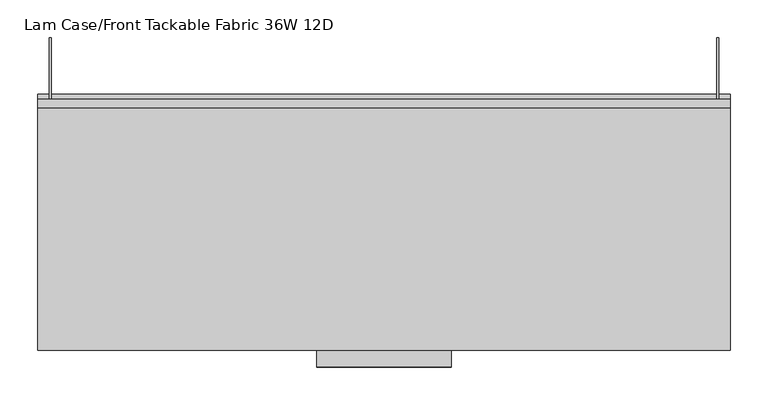
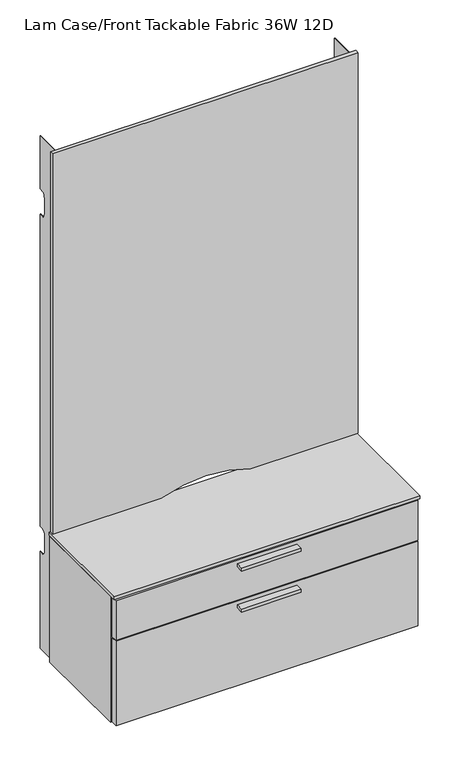
"""IFC4 building model written with IfcOpenShell, lengths in millimetres: furniture geometry, Lam Case/Front Tackable Fabric 36W 12D."""

from ifc_helpers import new_model, si_unit, point, frame, frame_2d, origin, place, context, project, spatial, polyline, circle_curve, trimmed, segment, composite_curve, outline, extrude, source, transform, mapped, element, save


def lam_case_front_tackable_fabric_36w_12d_4e759bc5(model_context):
    return source(origin(), model_context, "Body", "SweptSolid", [
        extrude(outline(polyline([(546.1, -435.6899879), (368.3, -435.6899879), (368.3, -413.4649879), (546.1, -413.4649879), (546.1, -435.6899879)])), frame((0.0, 0.0, 749.5158821), z_axis=(0.0, 0.0, 1.0), x_axis=(1.0, 0.0, 0.0)), (0.0, 0.0, 1.0), 9.525),
        extrude(outline(polyline([(546.1, -435.6899879), (368.3, -435.6899879), (368.3, -413.4649879), (546.1, -413.4649879), (546.1, -435.6899879)])), frame((0.0, 0.0, 879.1093489), z_axis=(0.0, 0.0, 1.0), x_axis=(1.0, 0.0, 0.0)), (0.0, 0.0, 1.0), 9.525),
        extrude(outline(polyline([(892.9300169, -95.5000029), (21.4600137, -95.5000029), (21.4600137, -82.0420035), (892.9300169, -82.0420035), (892.9300169, -95.5000029)])), frame((0.0, 0.0, 495.8619933), z_axis=(0.0, 0.0, 1.0), x_axis=(1.0, 0.0, 0.0)), (0.0, 0.0, 1.0), 384.0830604),
        extrude(outline(polyline([(892.9300169, -390.3500107), (892.9300169, -75.4399992), (912.2300016, -75.4399992), (912.2300016, -390.3500107), (892.9300169, -390.3500107)])), frame((0.0, 0.0, 501.1729337), z_axis=(0.0, 0.0, 1.0), x_axis=(1.0, 0.0, 0.0)), (0.0, 0.0, 1.0), 398.6000522),
        extrude(outline(composite_curve([segment(polyline([(917.0225143, 592.5474798), (917.0225143, 914.4), (2120.1637562, 914.4), (2120.1637562, 0.0), (917.4139875, 0.0), (917.4139875, 324.1467842)]), True, "CONTINUOUS"), segment(trimmed(circle_curve(frame_2d((564.2449091, 457.8323062)), 377.6244388), [point((917.4139875, 324.1467842))], [point((917.0225143, 592.5474798))], True, "CARTESIAN"), True, "CONTINUOUS")], self_intersect=False)), frame((0.0, -93.2219988, 0.0), z_axis=(0.0, 1.0, 0.0), x_axis=(0.0, 0.0, 1.0)), (0.0, 0.0, 1.0), 11.1799953),
        extrude(outline(polyline([(914.4, -75.4399992), (914.4, -413.4649879), (0.0, -413.4649879), (0.0, -75.4399992), (914.4, -75.4399992)])), frame((0.0, 0.0, 903.3249493), z_axis=(0.0, 0.0, 1.0), x_axis=(1.0, 0.0, 0.0)), (0.0, 0.0, 1.0), 9.779999),
        extrude(outline(polyline([(892.7045929, -76.1698229), (892.7045929, -388.830009), (21.4600137, -388.830009), (21.4600137, -76.1698229), (892.7045929, -76.1698229)])), frame((0.0, 0.0, 880.4689316), z_axis=(0.0, 0.0, 1.0), x_axis=(1.0, 0.0, 0.0)), (0.0, 0.0, 1.0), 18.8936142),
        extrude(outline(polyline([(892.7045929, -93.2219988), (892.7045929, -388.830009), (21.4600137, -388.830009), (21.4600137, -93.2219988), (892.7045929, -93.2219988)])), frame((0.0, 0.0, 502.6969322), z_axis=(0.0, 0.0, 1.0), x_axis=(1.0, 0.0, 0.0)), (0.0, 0.0, 1.0), 19.3000211),
        extrude(outline(polyline([(909.0549774, -393.5249986), (909.0549774, -413.4649879), (5.3350191, -413.4649879), (5.3350191, -393.5249986), (909.0549774, -393.5249986)])), frame((0.0, 0.0, 773.4029377), z_axis=(0.0, 0.0, 1.0), x_axis=(1.0, 0.0, 0.0)), (0.0, 0.0, 1.0), 126.3699755),
        extrude(outline(polyline([(909.0549774, -393.5249986), (909.0549774, -413.4649879), (5.3350191, -413.4649879), (5.3350191, -393.5249986), (909.0549774, -393.5249986)])), frame((0.0, 0.0, 504.3479579), z_axis=(0.0, 0.0, 1.0), x_axis=(1.0, 0.0, 0.0)), (0.0, 0.0, 1.0), 265.8800282),
        extrude(outline(polyline([(21.4600137, -75.4399992), (21.4600137, -390.3500107), (2.16, -390.3500107), (2.16, -75.4399992), (21.4600137, -75.4399992)])), frame((0.0, 0.0, 501.1729337), z_axis=(0.0, 0.0, 1.0), x_axis=(1.0, 0.0, 0.0)), (0.0, 0.0, 1.0), 398.6000522),
        extrude(outline(polyline([(-82.0420035, 2115.3437016), (-1.1635008, 2115.3437016), (-1.1635008, 1948.1194611), (-15.0883743, 1948.1194611), (-17.5316833, 1947.4556934), (-19.811268, 1945.8602966), (-22.9458037, 1941.2447353), (-25.3790014, 1928.1779457), (-25.3790014, 1888.1780617), (-22.98629, 1875.0707222), (-19.8473123, 1870.4596664), (-17.5501313, 1868.8818558), (-14.3790006, 1868.1779743), (-1.2525981, 1868.1779743), (-1.2525981, 881.3780331), (-14.3790006, 881.3780331), (-18.7812505, 879.9450537), (-22.3106158, 875.7991585), (-24.5908977, 869.3820356), (-25.3790014, 861.3780184), (-25.3790014, 821.377989), (-24.6125102, 813.2172953), (-22.3784465, 806.8336006), (-18.8674314, 802.7715666), (-14.3790006, 801.3779743), (-1.2477478, 801.3779743), (-1.2477478, 495.8619933), (-82.0420035, 495.8619933), (-82.0420035, 2115.3437016)])), frame((896.6200145, 0.0, 0.0), z_axis=(1.0, 0.0, 0.0), x_axis=(0.0, 1.0, 0.0)), (0.0, 0.0, 1.0), 2.54),
        extrude(outline(polyline([(-82.0420035, 2115.3437016), (-1.1635008, 2115.3437016), (-1.1635008, 1948.1194611), (-15.0883743, 1948.1194611), (-17.5316833, 1947.4556934), (-19.811268, 1945.8602966), (-22.9458037, 1941.2447353), (-25.3790014, 1928.1779457), (-25.3790014, 1888.1780617), (-22.98629, 1875.0707222), (-19.8473123, 1870.4596664), (-17.5501313, 1868.8818558), (-14.3790006, 1868.1779743), (-1.2525981, 1868.1779743), (-1.2525981, 881.3780331), (-14.3790006, 881.3780331), (-18.7812505, 879.9450537), (-22.3106158, 875.7991585), (-24.5908977, 869.3820356), (-25.3790014, 861.3780184), (-25.3790014, 821.377989), (-24.6125102, 813.2172953), (-22.3784465, 806.8336006), (-18.8674314, 802.7715666), (-14.3790006, 801.3779743), (-1.2477478, 801.3779743), (-1.2477478, 495.8619933), (-82.0420035, 495.8619933), (-82.0420035, 2115.3437016)])), frame((15.2400002, 0.0, 0.0), z_axis=(1.0, 0.0, 0.0), x_axis=(0.0, 1.0, 0.0)), (0.0, 0.0, 1.0), 2.54),
    ])


if __name__ == "__main__":
    model = new_model("IFC4")
    model_context = context("Model", 3, world=origin())
    ifc_project = project(units=[si_unit("LENGTHUNIT", "METRE", prefix="MILLI")], contexts=[model_context])
    site = spatial("IfcSite", under=ifc_project)
    building = spatial("IfcBuilding", under=site)
    placement = place(None, origin())
    lam_case_front_tackable_fabric_36w_12d_shape = lam_case_front_tackable_fabric_36w_12d_4e759bc5(model_context)
    element("IfcFurniture", 1, ObjectType="Lam Case/Front Tackable Fabric 36W 12D", at=placement, inside=building, context=model_context, shape_type="MappedRepresentation", body=[
        mapped(lam_case_front_tackable_fabric_36w_12d_shape, transform((0.0, 0.0, 0.0), x_axis=(1.0, 0.0, 0.0), y_axis=(0.0, 1.0, 0.0), z_axis=(0.0, 0.0, 1.0))),
    ])
    save(model, "model.ifc")
